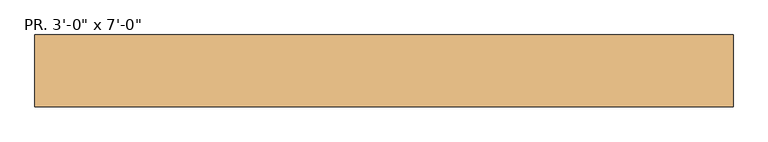
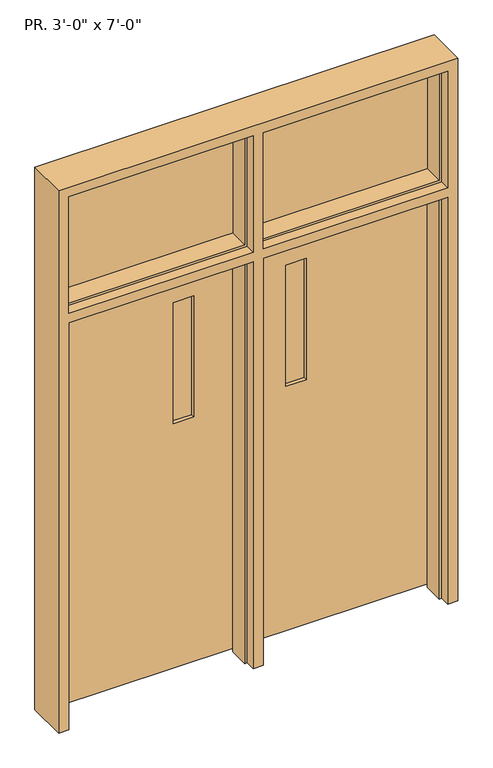
"""IFC4 building model written with IfcOpenShell, lengths in millimetres: door geometry."""

from ifc_helpers import new_model, si_unit, frame, origin, place, context, project, spatial, polyline, outline, extrude, faceted_brep, source, transform, mapped, element, save


def door_0eb32f81(model_context):
    return source(origin(), model_context, "Body", "SolidModel", [
        faceted_brep([(-1447.8, -76.2, 2844.8), (-1447.8, -76.2, 0.0), (-1397.0, -76.2, 0.0), (-1397.0, -76.2, 2133.6), (-482.6, -76.2, 2133.6), (-482.6, -76.2, 0.0), (-431.8, -76.2, 0.0), (-431.8, -76.2, 2133.6), (482.6, -76.2, 2133.6), (482.6, -76.2, 0.0), (533.4, -76.2, 0.0), (533.4, -76.2, 2844.8), (-1397.0, -76.2, 2184.4), (-1397.0, -76.2, 2794.0), (-482.6, -76.2, 2794.0), (-482.6, -76.2, 2184.4), (-431.8, -76.2, 2184.4), (-431.8, -76.2, 2794.0), (482.6, -76.2, 2794.0), (482.6, -76.2, 2184.4), (-1447.8, 127.0, 2844.8), (-1447.8, 127.0, 0.0), (-1397.0, 76.2, 0.0), (-1384.3, 76.2, 0.0), (-1384.3, -25.4, 0.0), (-1397.0, -25.4, 0.0), (-1397.0, 127.0, 0.0), (-1397.0, -25.4, 2133.6), (-1397.0, -25.4, 2184.4), (-1397.0, -25.4, 2794.0), (-482.6, -25.4, 0.0), (-482.6, -25.4, 2133.6), (-482.6, -25.4, 2794.0), (-482.6, -25.4, 2184.4), (-495.3, -25.4, 0.0), (-495.3, 76.2, 0.0), (-482.6, 76.2, 0.0), (-482.6, 127.0, 0.0), (-431.8, 127.0, 0.0), (-431.8, 76.2, 0.0), (-419.1, 76.2, 0.0), (-419.1, -25.4, 0.0), (-431.8, -25.4, 0.0), (-431.8, -25.4, 2133.6), (-431.8, -25.4, 2184.4), (-431.8, -25.4, 2794.0), (482.6, -25.4, 0.0), (482.6, -25.4, 2133.6), (482.6, -25.4, 2794.0), (482.6, -25.4, 2184.4), (469.9, -25.4, 0.0), (469.9, 76.2, 0.0), (482.6, 76.2, 0.0), (482.6, 127.0, 0.0), (533.4, 127.0, 0.0), (533.4, 127.0, 2844.8), (-1384.3, -25.4, 2120.9), (-495.3, -25.4, 2120.9), (-419.1, -25.4, 2120.9), (469.9, -25.4, 2120.9), (469.9, -25.4, 2197.1), (-419.1, -25.4, 2197.1), (-419.1, -25.4, 2781.3), (469.9, -25.4, 2781.3), (-495.3, -25.4, 2197.1), (-1384.3, -25.4, 2197.1), (-1384.3, -25.4, 2781.3), (-495.3, -25.4, 2781.3), (-1384.3, 76.2, 2120.9), (-1384.3, 76.2, 2197.1), (-1384.3, 76.2, 2781.3), (-495.3, 76.2, 2120.9), (-495.3, 76.2, 2197.1), (-495.3, 76.2, 2781.3), (-419.1, 76.2, 2120.9), (-419.1, 76.2, 2197.1), (-419.1, 76.2, 2781.3), (469.9, 76.2, 2120.9), (469.9, 76.2, 2197.1), (469.9, 76.2, 2781.3), (-1397.0, 76.2, 2133.6), (-482.6, 76.2, 2133.6), (-431.8, 76.2, 2133.6), (482.6, 76.2, 2133.6), (-482.6, 76.2, 2184.4), (-1397.0, 76.2, 2184.4), (-1397.0, 76.2, 2794.0), (-482.6, 76.2, 2794.0), (482.6, 76.2, 2184.4), (-431.8, 76.2, 2184.4), (-431.8, 76.2, 2794.0), (482.6, 76.2, 2794.0), (-1397.0, 127.0, 2133.6), (-1397.0, 127.0, 2184.4), (-1397.0, 127.0, 2794.0), (-482.6, 127.0, 2133.6), (-482.6, 127.0, 2794.0), (-482.6, 127.0, 2184.4), (-431.8, 127.0, 2133.6), (-431.8, 127.0, 2184.4), (-431.8, 127.0, 2794.0), (482.6, 127.0, 2133.6), (482.6, 127.0, 2184.4), (482.6, 127.0, 2794.0)], [[[0, 1, 2, 3, 4, 5, 6, 7, 8, 9, 10, 11], [12, 13, 14, 15], [16, 17, 18, 19]], [[0, 20, 21, 1]], [[22, 23, 24, 25, 2, 1, 21, 26]], [[2, 25, 27, 3]], [[12, 28, 29, 13]], [[30, 5, 4, 31]], [[15, 14, 32, 33]], [[5, 30, 34, 35, 36, 37, 38, 39, 40, 41, 42, 6]], [[6, 42, 43, 7]], [[17, 16, 44, 45]], [[46, 9, 8, 47]], [[48, 49, 19, 18]], [[10, 9, 46, 50, 51, 52, 53, 54]], [[55, 11, 10, 54]], [[25, 24, 56, 57, 34, 30, 31, 27]], [[50, 46, 47, 43, 42, 41, 58, 59]], [[44, 49, 48, 45], [60, 61, 62, 63]], [[28, 33, 32, 29], [64, 65, 66, 67]], [[24, 23, 68, 56]], [[65, 69, 70, 66]], [[35, 34, 57, 71]], [[72, 64, 67, 73]], [[41, 40, 74, 58]], [[61, 75, 76, 62]], [[51, 50, 59, 77]], [[78, 60, 63, 79]], [[23, 22, 80, 81, 36, 35, 71, 68]], [[52, 51, 77, 74, 40, 39, 82, 83]], [[84, 85, 86, 87], [69, 72, 73, 70]], [[88, 89, 90, 91], [75, 78, 79, 76]], [[22, 26, 92, 80]], [[86, 85, 93, 94]], [[37, 36, 81, 95]], [[96, 97, 84, 87]], [[39, 38, 98, 82]], [[99, 100, 90, 89]], [[53, 52, 83, 101]], [[102, 88, 91, 103]], [[55, 54, 53, 101, 98, 38, 37, 95, 92, 26, 21, 20], [97, 96, 94, 93], [102, 103, 100, 99]], [[14, 13, 29, 32]], [[18, 17, 45, 48]], [[0, 11, 55, 20]], [[67, 66, 70, 73]], [[76, 79, 63, 62]], [[100, 103, 91, 90]], [[94, 96, 87, 86]], [[19, 49, 44, 16]], [[28, 12, 15, 33]], [[60, 78, 75, 61]], [[69, 65, 64, 72]], [[88, 102, 99, 89]], [[93, 85, 84, 97]], [[101, 83, 82, 98]], [[80, 92, 95, 81]], [[77, 59, 58, 74]], [[56, 68, 71, 57]], [[47, 8, 7, 43]], [[3, 27, 31, 4]]]),
        extrude(outline(polyline([(-787.4, 107.95), (-685.8, 107.95), (-685.8, 101.6), (-787.4, 101.6), (-787.4, 107.95)])), frame((0.0, 0.0, 1295.4), z_axis=(0.0, 0.0, 1.0), x_axis=(1.0, 0.0, 0.0)), (0.0, 0.0, 1.0), 635.0),
        extrude(outline(polyline([(-228.6, 107.95), (-127.0, 107.95), (-127.0, 101.6), (-228.6, 101.6), (-228.6, 107.95)])), frame((0.0, 0.0, 1295.4), z_axis=(0.0, 0.0, 1.0), x_axis=(1.0, 0.0, 0.0)), (0.0, 0.0, 1.0), 635.0),
        extrude(outline(polyline([(12.7, -482.6), (2133.6, -482.6), (2133.6, -1397.0082722), (12.7, -1397.0082722), (12.7, -482.6)]), holes=[polyline([(1295.4, -787.4), (1930.4, -787.4), (1930.4, -685.8), (1295.4, -685.8), (1295.4, -787.4)])]), frame((0.0, 82.55, 0.0), z_axis=(0.0, 1.0, 0.0), x_axis=(0.0, 0.0, 1.0)), (0.0, 0.0, 1.0), 44.45),
        extrude(outline(polyline([(12.7, -431.8), (12.7, 482.6), (2133.6, 482.6), (2133.6, -431.8), (12.7, -431.8)]), holes=[polyline([(1295.4, -228.6), (1930.4, -228.6), (1930.4, -127.0), (1295.4, -127.0), (1295.4, -228.6)])]), frame((0.0, 82.55, 0.0), z_axis=(0.0, 1.0, 0.0), x_axis=(0.0, 0.0, 1.0)), (0.0, 0.0, 1.0), 44.45),
        extrude(outline(polyline([(2184.4, -1397.0), (2184.4, -482.6), (2794.0, -482.6), (2794.0, -1397.0), (2184.4, -1397.0)]), holes=[polyline([(2781.3, -1384.3), (2781.3, -495.3), (2197.1, -495.3), (2197.1, -1384.3), (2781.3, -1384.3)])]), frame((0.0, 82.55, 0.0), z_axis=(0.0, 1.0, 0.0), x_axis=(0.0, 0.0, 1.0)), (0.0, 0.0, 1.0), 12.7),
        extrude(outline(polyline([(2184.4, -431.8), (2184.4, 482.6), (2794.0, 482.6), (2794.0, -431.8), (2184.4, -431.8)]), holes=[polyline([(2781.3, -419.1), (2781.3, 469.9), (2197.1, 469.9), (2197.1, -419.1), (2781.3, -419.1)])]), frame((0.0, 82.55, 0.0), z_axis=(0.0, 1.0, 0.0), x_axis=(0.0, 0.0, 1.0)), (0.0, 0.0, 1.0), 12.7),
        extrude(outline(polyline([(-431.8, 82.55), (482.6, 82.55), (482.6, 76.2), (-431.8, 76.2), (-431.8, 82.55)])), frame((0.0, 0.0, 2184.4), z_axis=(0.0, 0.0, 1.0), x_axis=(1.0, 0.0, 0.0)), (0.0, 0.0, 1.0), 609.6),
        extrude(outline(polyline([(-1397.0, 82.55), (-482.6, 82.55), (-482.6, 76.2), (-1397.0, 76.2), (-1397.0, 82.55)])), frame((0.0, 0.0, 2184.4), z_axis=(0.0, 0.0, 1.0), x_axis=(1.0, 0.0, 0.0)), (0.0, 0.0, 1.0), 609.6),
    ])


if __name__ == "__main__":
    model = new_model("IFC4")
    model_context = context("Model", 3, world=origin())
    ifc_project = project(units=[si_unit("LENGTHUNIT", "METRE", prefix="MILLI")], contexts=[model_context])
    site = spatial("IfcSite", under=ifc_project)
    building = spatial("IfcBuilding", under=site)
    placement = place(None, origin())
    door_shape = door_0eb32f81(model_context)
    element("IfcDoor", 1, ObjectType="PR. 3'-0\" x 7'-0\"", at=placement, inside=building, context=model_context, shape_type="MappedRepresentation", body=[
        mapped(door_shape, transform((0.0, 0.0, 0.0), x_axis=(1.0, 0.0, 0.0), y_axis=(0.0, 1.0, 0.0), z_axis=(0.0, 0.0, 1.0))),
    ])
    save(model, "model.ifc")
